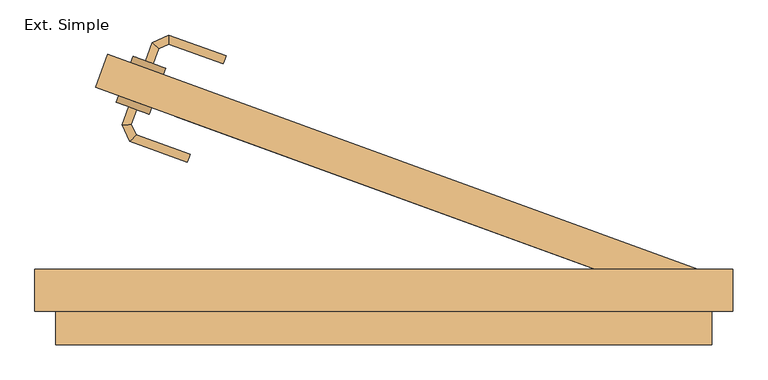
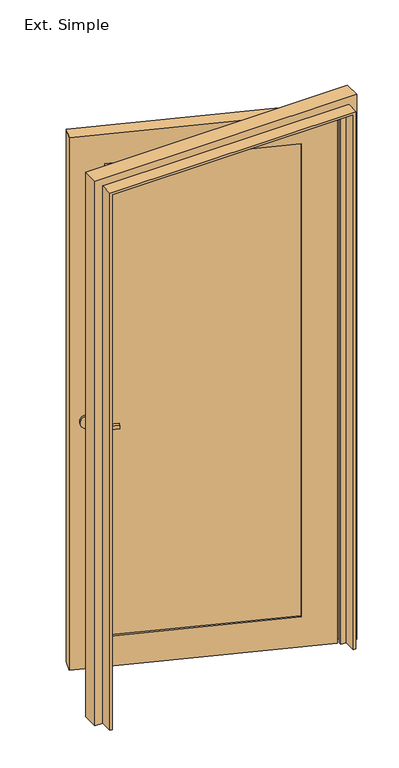
"""IFC4 building model written with IfcOpenShell, lengths in millimetres: door geometry, Ext. Simple."""

from ifc_helpers import new_model, si_unit, point, frame, frame_2d, origin, place, context, project, spatial, circle_curve, ellipse_curve, trimmed, segment, composite_curve, outline, extrude, faceted_brep, source, transform, mapped, element, save
from ifc_brep_helpers import plane_surface, cylinder_surface, advanced_brep


def ext_simple_39a9a539(model_context):
    return source(origin(), model_context, "Body", "SolidModel", [
        extrude(outline(composite_curve([segment(trimmed(circle_curve(frame_2d((0.0, 25.0000001)), 25.0), [point((0.0, 50.0000001))], [point((0.0, 0.0))], False, "CARTESIAN"), True, "CONTINUOUS"), segment(trimmed(circle_curve(frame_2d((0.0, 25.0000001)), 25.0), [point((0.0, 0.0))], [point((0.0, 50.0000001))], False, "CARTESIAN"), True, "CONTINUOUS")], self_intersect=False)), frame((-325.8494859, 378.7464168, 1000.0), z_axis=(0.34202014332566827, 0.9396926207859085, 0.0), x_axis=(0.0, 0.0, -1.0)), (0.0, 0.0, 1.0), 10.0),
        extrude(outline(composite_curve([segment(trimmed(circle_curve(frame_2d((0.0, 25.0)), 25.0), [point((0.0, 50.0))], [point((0.0, 0.0))], False, "CARTESIAN"), True, "CONTINUOUS"), segment(trimmed(circle_curve(frame_2d((0.0, 25.0)), 25.0), [point((0.0, 0.0))], [point((0.0, 50.0))], False, "CARTESIAN"), True, "CONTINUOUS")], self_intersect=False)), frame((-346.3706945, 322.3648596, 1000.0), z_axis=(0.34202014332566827, 0.9396926207859085, 0.0), x_axis=(0.0, 0.0, -1.0)), (0.0, 0.0, 1.0), 10.0),
        advanced_brep(
        [(-351.5597558, 398.7459675, 1007.0), (-351.5597558, 398.7459675, 993.0), (-340.2834443, 394.6417257, 993.0), (-340.2834443, 394.6417257, 1007.0), (-332.5262948, 415.9543189, 1007.0), (-342.1025736, 424.7293618, 1007.0), (-332.5262948, 415.9543189, 993.0), (-342.1025736, 424.7293618, 993.0), (-317.9817096, 422.7365704, 1007.0), (-318.548269, 435.7129144, 1007.0), (-317.9817096, 422.7365704, 993.0), (-318.548269, 435.7129144, 993.0), (-236.1922634, 405.7377798, 1007.0), (-240.2965051, 394.4614683, 1007.0), (-240.2965051, 394.4614683, 993.0), (-236.1922634, 405.7377798, 993.0)],
        [
            (0, 1),
            (1, 2, circle_curve(frame((-345.9216, 396.6938466, 1013.0457722), z_axis=(-0.3420201433256714, -0.9396926207859077, 0.0), x_axis=(0.9396926207859074, -0.3420201433256713, 0.0)), 20.9244589)),
            (2, 3),
            (3, 0, circle_curve(frame((-345.9216, 396.6938466, 986.9542278), z_axis=(-0.3420201433256714, -0.9396926207859077, 0.0), x_axis=(0.9396926207859074, -0.3420201433256713, 0.0)), 20.9244589)),
            (3, 4),
            (4, 5, ellipse_curve(frame((-337.3144342, 420.3418404, 986.9542278), z_axis=(-0.6755902076156771, -0.7372773368101085, 0.0), x_axis=(0.7372773368101083, -0.6755902076156773, 0.0)), 22.6484711, 20.9244589)),
            (5, 0),
            (2, 6),
            (6, 4),
            (1, 7),
            (7, 6, ellipse_curve(frame((-337.3144342, 420.3418404, 1013.0457722), z_axis=(-0.6755902076156771, -0.7372773368101085, 0.0), x_axis=(0.7372773368101083, -0.6755902076156773, 0.0)), 22.6484711, 20.9244589)),
            (5, 7),
            (4, 8),
            (8, 9, ellipse_curve(frame((-318.2649893, 429.2247424, 986.9542278), z_axis=(-0.9990482215818589, -0.04361938736531306, 0.0), x_axis=(0.0436193873653137, -0.9990482215818588, 0.0)), 22.6484711, 20.9244589)),
            (9, 5),
            (6, 10),
            (10, 8),
            (7, 11),
            (11, 10, ellipse_curve(frame((-318.2649893, 429.2247424, 1013.0457722), z_axis=(-0.9990482215818589, -0.04361938736531306, 0.0), x_axis=(0.0436193873653137, -0.9990482215818588, 0.0)), 22.6484711, 20.9244589)),
            (9, 11),
            (12, 13, circle_curve(frame((-238.2443843, 400.099624, 986.9542278), z_axis=(0.9396926207859077, -0.3420201433256714, 0.0), x_axis=(-0.3420201433256713, -0.9396926207859074, 0.0)), 20.9244589)),
            (13, 14),
            (14, 15, circle_curve(frame((-238.2443843, 400.099624, 1013.0457722), z_axis=(0.9396926207859077, -0.3420201433256714, 0.0), x_axis=(-0.3420201433256713, -0.9396926207859074, 0.0)), 20.9244589)),
            (15, 12),
            (8, 13),
            (12, 9),
            (10, 14),
            (11, 15),
        ],
        [
            plane_surface(frame((-354.5851379, 399.8471165, 1000.0), z_axis=(-0.3420201433256714, -0.9396926207859075, 0.0), x_axis=(0.0, 0.0, -1.0))),
            cylinder_surface(frame((-345.9216, 396.6938466, 986.9542278), z_axis=(-0.3420201433256713, -0.9396926207859074, 0.0), x_axis=(0.9396926207859074, -0.3420201433256713, 0.0)), 20.9244589),
            plane_surface(frame((-340.2834443, 394.6417257, 1007.0), z_axis=(0.9396926207859073, -0.34202014332567165, 0.0), x_axis=(0.34202014332567165, 0.9396926207859073, 0.0))),
            cylinder_surface(frame((-345.9216, 396.6938466, 1013.0457722), z_axis=(-0.3420201433256713, -0.9396926207859074, 0.0), x_axis=(0.9396926207859074, -0.3420201433256713, 0.0)), 20.9244589),
            plane_surface(frame((-351.5597558, 398.7459675, 993.0), z_axis=(-0.9396926207859075, 0.3420201433256714, 0.0), x_axis=(0.3420201433256714, 0.9396926207859075, 0.0))),
            cylinder_surface(frame((-337.3144342, 420.3418404, 986.9542278), z_axis=(-0.9063077870366683, -0.42261826174066036, 0.0), x_axis=(0.42261826174066036, -0.9063077870366683, 0.0)), 20.9244589),
            plane_surface(frame((-332.5262948, 415.9543189, 1007.0), z_axis=(0.42261826174066014, -0.9063077870366684, 0.0), x_axis=(0.9063077870366684, 0.42261826174066014, 0.0))),
            cylinder_surface(frame((-337.3144342, 420.3418404, 1013.0457722), z_axis=(-0.9063077870366683, -0.42261826174066036, 0.0), x_axis=(0.42261826174066036, -0.9063077870366683, 0.0)), 20.9244589),
            plane_surface(frame((-342.1025736, 424.7293618, 993.0), z_axis=(-0.4226182617406604, 0.9063077870366681, 0.0), x_axis=(0.9063077870366681, 0.4226182617406604, 0.0))),
            plane_surface(frame((-238.2443843, 400.099624, 990.7804555), z_axis=(0.9396926207859075, -0.3420201433256714, 0.0), x_axis=(-0.3420201433256714, -0.9396926207859075, 0.0))),
            cylinder_surface(frame((-318.2649893, 429.2247424, 986.9542278), z_axis=(-0.9396926207859074, 0.3420201433256713, 0.0), x_axis=(-0.3420201433256713, -0.9396926207859074, 0.0)), 20.9244589),
            plane_surface(frame((-317.9817096, 422.7365704, 1007.0), z_axis=(-0.3420201433256714, -0.9396926207859075, 0.0), x_axis=(0.9396926207859075, -0.3420201433256714, 0.0))),
            cylinder_surface(frame((-318.2649893, 429.2247424, 1013.0457722), z_axis=(-0.9396926207859074, 0.3420201433256713, 0.0), x_axis=(-0.3420201433256713, -0.9396926207859074, 0.0)), 20.9244589),
            plane_surface(frame((-318.548269, 435.7129144, 993.0), z_axis=(0.3420201433256714, 0.9396926207859075, 0.0), x_axis=(0.9396926207859075, -0.3420201433256714, 0.0))),
        ],
        [
            (0, [[1, 2, 3, 4]]),
            (1, [[5, 6, 7, -4]]),
            (2, [[8, 9, -5, -3]]),
            (3, [[10, 11, -8, -2]]),
            (4, [[-7, 12, -10, -1]]),
            (5, [[13, 14, 15, -6]]),
            (6, [[16, 17, -13, -9]]),
            (7, [[18, 19, -16, -11]]),
            (8, [[-15, 20, -18, -12]]),
            (9, [[21, 22, 23, 24]]),
            (10, [[25, -21, 26, -14]]),
            (11, [[27, -22, -25, -17]]),
            (12, [[28, -23, -27, -19]]),
            (13, [[-26, -24, -28, -20]]),
        ],
    ),
        advanced_brep(
        [(-364.2248543, 328.8632423, 993.0), (-375.5011658, 332.967484, 993.0), (-375.5011658, 332.967484, 1007.0), (-364.2248543, 328.8632423, 1007.0), (-371.9152472, 307.7340615, 1007.0), (-371.9152472, 307.7340615, 993.0), (-384.8915912, 307.1675021, 1007.0), (-384.8915912, 307.1675021, 993.0), (-365.0508106, 293.0132298, 1007.0), (-365.0508106, 293.0132298, 993.0), (-373.8258535, 283.4369509, 1007.0), (-373.8258535, 283.4369509, 993.0), (-287.4693159, 264.775875, 993.0), (-287.4693159, 264.775875, 1007.0), (-291.5735576, 253.4995635, 1007.0), (-291.5735576, 253.4995635, 993.0)],
        [
            (0, 1, circle_curve(frame((-369.8630101, 330.9153631, 1013.0457722), z_axis=(0.3420201433256714, 0.9396926207859077, 0.0), x_axis=(-0.9396926207859074, 0.3420201433256713, 0.0)), 20.9244589)),
            (1, 2),
            (2, 3, circle_curve(frame((-369.8630101, 330.9153631, 986.9542278), z_axis=(0.3420201433256714, 0.9396926207859077, 0.0), x_axis=(-0.9396926207859074, 0.3420201433256713, 0.0)), 20.9244589)),
            (3, 0),
            (3, 4),
            (4, 5),
            (5, 0),
            (2, 6),
            (6, 4, ellipse_curve(frame((-378.4034192, 307.4507818, 986.9542278), z_axis=(-0.04361938736535328, 0.999048221581857, 0.0), x_axis=(0.9990482215818571, 0.043619387365353264, 0.0)), 22.6484711, 20.9244589)),
            (1, 7),
            (7, 6),
            (5, 7, ellipse_curve(frame((-378.4034192, 307.4507818, 1013.0457722), z_axis=(-0.04361938736535328, 0.999048221581857, 0.0), x_axis=(0.9990482215818571, 0.043619387365353264, 0.0)), 22.6484711, 20.9244589)),
            (4, 8),
            (8, 9),
            (9, 5),
            (6, 10),
            (10, 8, ellipse_curve(frame((-369.4383321, 288.2250904, 986.9542278), z_axis=(-0.7372773368101359, 0.6755902076156475, 0.0), x_axis=(0.6755902076156479, 0.7372773368101355, 0.0)), 22.6484711, 20.9244589)),
            (7, 11),
            (11, 10),
            (9, 11, ellipse_curve(frame((-369.4383321, 288.2250904, 1013.0457722), z_axis=(-0.7372773368101359, 0.6755902076156475, 0.0), x_axis=(0.6755902076156479, 0.7372773368101355, 0.0)), 22.6484711, 20.9244589)),
            (12, 13),
            (13, 14, circle_curve(frame((-289.5214367, 259.1377192, 986.9542278), z_axis=(0.9396926207859077, -0.3420201433256714, 0.0), x_axis=(-0.3420201433256713, -0.9396926207859074, 0.0)), 20.9244589)),
            (14, 15),
            (15, 12, circle_curve(frame((-289.5214367, 259.1377192, 1013.0457722), z_axis=(0.9396926207859077, -0.3420201433256714, 0.0), x_axis=(-0.3420201433256713, -0.9396926207859074, 0.0)), 20.9244589)),
            (8, 13),
            (12, 9),
            (10, 14),
            (11, 15),
        ],
        [
            plane_surface(frame((-378.526548, 334.0686331, 1000.0), z_axis=(0.3420201433256714, 0.9396926207859075, 0.0), x_axis=(0.0, 0.0, 1.0))),
            plane_surface(frame((-364.2248543, 328.8632423, 993.0), z_axis=(0.9396926207859075, -0.3420201433256714, 0.0), x_axis=(-0.3420201433256714, -0.9396926207859075, 0.0))),
            cylinder_surface(frame((-369.8630101, 330.9153631, 986.9542278), z_axis=(0.3420201433256713, 0.9396926207859074, 0.0), x_axis=(-0.9396926207859074, 0.3420201433256713, 0.0)), 20.9244589),
            plane_surface(frame((-375.5011658, 332.967484, 1007.0), z_axis=(-0.9396926207859075, 0.3420201433256714, 0.0), x_axis=(-0.3420201433256714, -0.9396926207859075, 0.0))),
            cylinder_surface(frame((-369.8630101, 330.9153631, 1013.0457722), z_axis=(0.3420201433256713, 0.9396926207859074, 0.0), x_axis=(-0.9396926207859074, 0.3420201433256713, 0.0)), 20.9244589),
            plane_surface(frame((-371.9152472, 307.7340615, 993.0), z_axis=(0.9063077870366343, 0.42261826174073325, 0.0), x_axis=(0.42261826174073325, -0.9063077870366343, 0.0))),
            cylinder_surface(frame((-378.4034192, 307.4507818, 986.9542278), z_axis=(-0.42261826174073325, 0.9063077870366341, 0.0), x_axis=(-0.9063077870366341, -0.42261826174073325, 0.0)), 20.9244589),
            plane_surface(frame((-384.8915912, 307.1675021, 1007.0), z_axis=(-0.9063077870366342, -0.42261826174073336, 0.0), x_axis=(0.42261826174073336, -0.9063077870366342, 0.0))),
            cylinder_surface(frame((-378.4034192, 307.4507818, 1013.0457722), z_axis=(-0.42261826174073325, 0.9063077870366341, 0.0), x_axis=(-0.9063077870366341, -0.42261826174073325, 0.0)), 20.9244589),
            plane_surface(frame((-289.5214367, 259.1377192, 990.7804555), z_axis=(0.9396926207859075, -0.3420201433256714, 0.0), x_axis=(-0.3420201433256714, -0.9396926207859075, 0.0))),
            plane_surface(frame((-365.0508106, 293.0132298, 993.0), z_axis=(0.3420201433256714, 0.9396926207859075, 0.0), x_axis=(0.9396926207859075, -0.3420201433256714, 0.0))),
            cylinder_surface(frame((-369.4383321, 288.2250904, 986.9542278), z_axis=(-0.9396926207859074, 0.3420201433256713, 0.0), x_axis=(-0.3420201433256713, -0.9396926207859074, 0.0)), 20.9244589),
            plane_surface(frame((-373.8258535, 283.4369509, 1007.0), z_axis=(-0.3420201433256713, -0.9396926207859075, 0.0), x_axis=(0.9396926207859075, -0.3420201433256713, 0.0))),
            cylinder_surface(frame((-369.4383321, 288.2250904, 1013.0457722), z_axis=(-0.9396926207859074, 0.3420201433256713, 0.0), x_axis=(-0.3420201433256713, -0.9396926207859074, 0.0)), 20.9244589),
        ],
        [
            (0, [[1, 2, 3, 4]]),
            (1, [[5, 6, 7, -4]]),
            (2, [[8, 9, -5, -3]]),
            (3, [[10, 11, -8, -2]]),
            (4, [[-7, 12, -10, -1]]),
            (5, [[13, 14, 15, -6]]),
            (6, [[16, 17, -13, -9]]),
            (7, [[18, 19, -16, -11]]),
            (8, [[-15, 20, -18, -12]]),
            (9, [[21, 22, 23, 24]]),
            (10, [[25, -21, 26, -14]]),
            (11, [[27, -22, -25, -17]]),
            (12, [[28, -23, -27, -19]]),
            (13, [[-26, -24, -28, -20]]),
        ],
    ),
        faceted_brep([(-422.8243659, 360.833498, 2150.0), (-422.8243659, 360.833498, 0.0), (422.8989928, 53.015369, 0.0), (422.8989928, 53.015369, 2150.0), (-310.0612514, 319.7910808, 2030.0), (310.1358783, 94.0577862, 2030.0), (310.1358783, 94.0577862, 120.0), (-310.0612514, 319.7910808, 120.0), (-405.7233587, 407.818129, 2150.0), (440.0, 100.0, 2150.0), (440.0, 100.0, 0.0), (-405.7233587, 407.818129, 0.0), (327.2368855, 141.0424172, 2030.0), (-292.9602442, 366.7757118, 2030.0), (-292.9602442, 366.7757118, 120.0), (327.2368855, 141.0424172, 120.0), (324.5007244, 133.5248762, 2030.0), (324.5007244, 133.5248762, 120.0), (-295.6964054, 359.2581708, 120.0), (-295.6964054, 359.2581708, 2030.0), (-307.3250902, 327.3086217, 2030.0), (-307.3250902, 327.3086217, 120.0), (312.8720395, 101.5753271, 120.0), (312.8720395, 101.5753271, 2030.0)], [[[0, 1, 2, 3], [4, 5, 6, 7]], [[8, 9, 10, 11], [12, 13, 14, 15]], [[3, 9, 8, 0]], [[2, 10, 9, 3]], [[1, 11, 10, 2]], [[0, 8, 11, 1]], [[16, 17, 18, 19]], [[16, 12, 15, 17]], [[17, 15, 14, 18]], [[18, 14, 13, 19]], [[19, 13, 12, 16]], [[20, 21, 22, 23]], [[20, 4, 7, 21]], [[21, 7, 6, 22]], [[22, 6, 5, 23]], [[23, 5, 4, 20]]]),
        faceted_brep([(-510.0, 40.0, 0.0), (-510.0, 100.0, 0.0), (-460.0, 100.0, 0.0), (-460.0, 50.0, 0.0), (-450.0, 50.0, 0.0), (-450.0, 40.0, 0.0), (-470.0, 40.0, 0.0), (-470.0, -8.0, 0.0), (-480.0, -8.0, 0.0), (-480.0, 40.0, 0.0), (-480.0, 40.0, 2170.0), (460.0, 40.0, 2170.0), (460.0, 40.0, 0.0), (490.0, 40.0, 0.0), (490.0, 40.0, 2200.0), (-510.0, 40.0, 2200.0), (-480.0, -8.0, 2170.0), (-470.0, -8.0, 2160.0), (450.0, -8.0, 2160.0), (450.0, -8.0, 0.0), (460.0, -8.0, 0.0), (460.0, -8.0, 2170.0), (-470.0, 40.0, 2160.0), (-450.0, 40.0, 2140.0), (430.0, 40.0, 2140.0), (430.0, 40.0, 0.0), (450.0, 40.0, 0.0), (450.0, 40.0, 2160.0), (-450.0, 50.0, 2140.0), (-460.0, 50.0, 2150.0), (440.0, 50.0, 2150.0), (440.0, 50.0, 0.0), (430.0, 50.0, 0.0), (430.0, 50.0, 2140.0), (-460.0, 100.0, 2150.0), (-510.0, 100.0, 2200.0), (490.0, 100.0, 2200.0), (490.0, 100.0, 0.0), (440.0, 100.0, 0.0), (440.0, 100.0, 2150.0)], [[[0, 1, 2, 3, 4, 5, 6, 7, 8, 9]], [[9, 10, 11, 12, 13, 14, 15, 0]], [[8, 16, 10, 9]], [[7, 17, 18, 19, 20, 21, 16, 8]], [[6, 22, 17, 7]], [[5, 23, 24, 25, 26, 27, 22, 6]], [[4, 28, 23, 5]], [[3, 29, 30, 31, 32, 33, 28, 4]], [[2, 34, 29, 3]], [[1, 35, 36, 37, 38, 39, 34, 2]], [[0, 15, 35, 1]], [[14, 13, 37, 36]], [[13, 12, 20, 19, 26, 25, 32, 31, 38, 37]], [[21, 20, 12, 11]], [[27, 26, 19, 18]], [[33, 32, 25, 24]], [[39, 38, 31, 30]], [[16, 21, 11, 10]], [[22, 27, 18, 17]], [[28, 33, 24, 23]], [[34, 39, 30, 29]], [[15, 14, 36, 35]]]),
    ])


if __name__ == "__main__":
    model = new_model("IFC4")
    model_context = context("Model", 3, world=origin())
    ifc_project = project(units=[si_unit("LENGTHUNIT", "METRE", prefix="MILLI")], contexts=[model_context])
    site = spatial("IfcSite", under=ifc_project)
    building = spatial("IfcBuilding", under=site)
    placement = place(None, origin())
    ext_simple_shape = ext_simple_39a9a539(model_context)
    element("IfcDoor", 1, ObjectType="Ext. Simple", at=placement, inside=building, context=model_context, shape_type="MappedRepresentation", body=[
        mapped(ext_simple_shape, transform((0.0, 0.0, 0.0), x_axis=(1.0, 0.0, 0.0), y_axis=(0.0, 1.0, 0.0), z_axis=(0.0, 0.0, 1.0))),
    ])
    save(model, "model.ifc")
